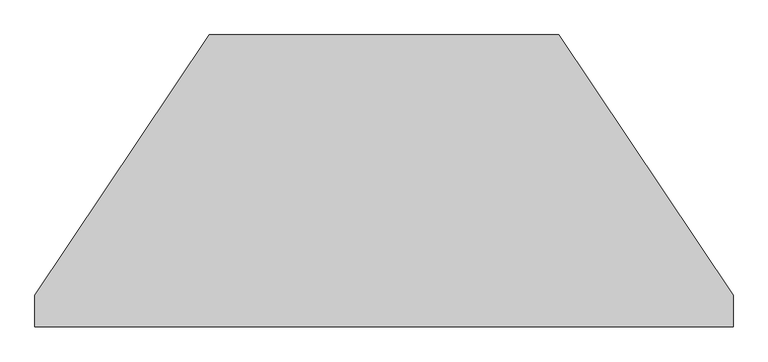
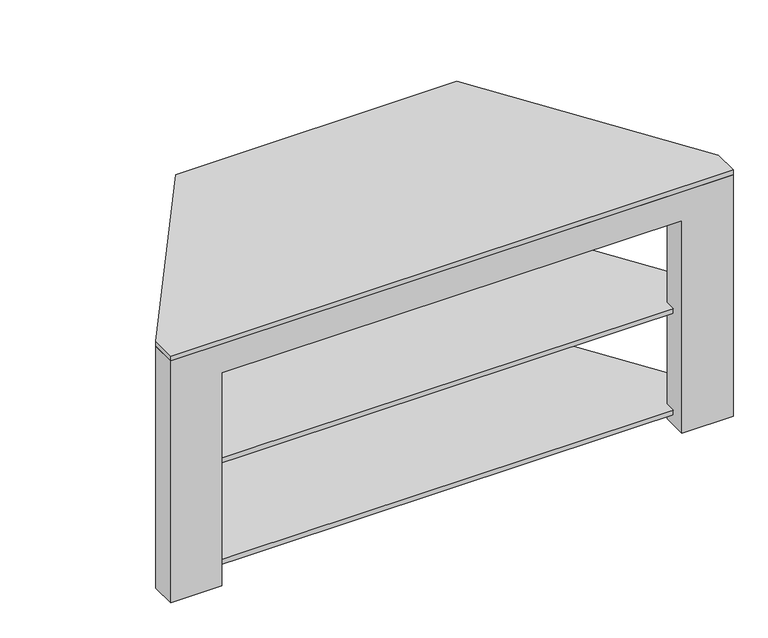
"""IFC4 building model written with IfcOpenShell, lengths in millimetres: furniture geometry."""

from ifc_helpers import new_model, si_unit, point, frame, frame_2d, origin, place, context, project, spatial, polyline, circle_curve, trimmed, segment, composite_curve, outline, extrude, faceted_brep, source, transform, mapped, element, save


def furniture_40ec15d9(model_context):
    return source(origin(), model_context, "Body", "SolidModel", [
        extrude(outline(polyline([(420.3099533, -30.0), (625.1880021, -335.4545455), (625.1880021, -430.0), (-374.8119979, -430.0), (-374.8119979, -335.4545455), (-169.9339492, -30.0), (420.3099533, -30.0)])), frame((0.0, 0.0, 20.0), z_axis=(0.0, 0.0, 1.0), x_axis=(1.0, 0.0, 0.0)), (0.0, 0.0, 1.0), 10.0),
        extrude(outline(polyline([(420.3099533, -30.0), (625.1880021, -335.4545455), (625.1880021, -430.0), (-374.8119979, -430.0), (-374.8119979, -335.4545455), (-169.9339492, -30.0), (420.3099533, -30.0)])), frame((0.0, 0.0, 230.0), z_axis=(0.0, 0.0, 1.0), x_axis=(1.0, 0.0, 0.0)), (0.0, 0.0, 1.0), 10.0),
        extrude(outline(polyline([(400.1880021, 0.0), (675.1880021, -410.0), (675.1880021, -460.0), (-424.8119979, -460.0), (-424.8119979, -410.0), (-149.8119979, 0.0), (400.1880021, 0.0)])), frame((0.0, 0.0, 500.0), z_axis=(0.0, 0.0, 1.0), x_axis=(1.0, 0.0, 0.0)), (0.0, 0.0, 1.0), 10.0),
        extrude(outline(polyline([(-50.0, 500.0), (0.0, 500.0), (0.0, 0.0), (-50.0, 0.0), (-50.0, 20.0), (-30.0, 20.0), (-30.0, 30.0), (-50.0, 30.0), (-50.0, 230.0), (-30.0, 230.0), (-30.0, 240.0), (-50.0, 240.0), (-50.0, 500.0)])), frame((-149.8119979, 0.0, 0.0), z_axis=(1.0, 0.0, 0.0), x_axis=(0.0, 1.0, 0.0)), (0.0, 0.0, 1.0), 100.0),
        extrude(outline(polyline([(-50.0, 500.0), (0.0, 500.0), (0.0, 0.0), (-50.0, 0.0), (-50.0, 20.0), (-30.0, 20.0), (-30.0, 30.0), (-50.0, 30.0), (-50.0, 230.0), (-30.0, 230.0), (-30.0, 240.0), (-50.0, 240.0), (-50.0, 500.0)])), frame((300.1880021, 0.0, 0.0), z_axis=(1.0, 0.0, 0.0), x_axis=(0.0, 1.0, 0.0)), (0.0, 0.0, 1.0), 100.0),
        faceted_brep([(-424.8119979, -460.0, 0.0), (-324.8119979, -460.0, 0.0), (-324.8119979, -460.0, 440.0), (575.1880021, -460.0, 440.0), (575.1880021, -460.0, 0.0), (675.1880021, -460.0, 0.0), (675.1880021, -460.0, 500.0), (-424.8119979, -460.0, 500.0), (-424.8119979, -410.0, 0.0), (-424.8119979, -410.0, 500.0), (675.1880021, -410.0, 500.0), (675.1880021, -410.0, 0.0), (575.1880021, -410.0, 0.0), (575.1880021, -410.0, 20.0), (625.1880021, -410.0, 20.0), (625.1880021, -410.0, 30.0), (575.1880021, -410.0, 30.0), (575.1880021, -410.0, 230.0), (625.1880021, -410.0, 230.0), (625.1880021, -410.0, 240.0), (575.1880021, -410.0, 240.0), (575.1880021, -410.0, 440.0), (-324.8119979, -410.0, 440.0), (-324.8119979, -410.0, 240.0), (-374.8119979, -410.0, 240.0), (-374.8119979, -410.0, 230.0), (-324.8119979, -410.0, 230.0), (-324.8119979, -410.0, 30.0), (-374.8119979, -410.0, 30.0), (-374.8119979, -410.0, 20.0), (-324.8119979, -410.0, 20.0), (-324.8119979, -410.0, 0.0), (-324.8119979, -430.0, 20.0), (-324.8119979, -430.0, 30.0), (-324.8119979, -430.0, 230.0), (-324.8119979, -430.0, 240.0), (575.1880021, -430.0, 240.0), (575.1880021, -430.0, 230.0), (575.1880021, -430.0, 30.0), (575.1880021, -430.0, 20.0), (625.1880021, -430.0, 240.0), (-374.8119979, -430.0, 240.0), (-374.8119979, -430.0, 230.0), (625.1880021, -430.0, 230.0), (625.1880021, -430.0, 30.0), (-374.8119979, -430.0, 30.0), (-374.8119979, -430.0, 20.0), (625.1880021, -430.0, 20.0)], [[[0, 1, 2, 3, 4, 5, 6, 7]], [[8, 9, 10, 11, 12, 13, 14, 15, 16, 17, 18, 19, 20, 21, 22, 23, 24, 25, 26, 27, 28, 29, 30, 31]], [[1, 0, 8, 31]], [[2, 1, 31, 30, 32, 33, 27, 26, 34, 35, 23, 22]], [[3, 2, 22, 21]], [[4, 3, 21, 20, 36, 37, 17, 16, 38, 39, 13, 12]], [[5, 4, 12, 11]], [[6, 5, 11, 10]], [[7, 6, 10, 9]], [[0, 7, 9, 8]], [[19, 40, 36, 20]], [[35, 41, 24, 23]], [[25, 42, 34, 26]], [[37, 43, 18, 17]], [[41, 42, 25, 24]], [[42, 41, 35, 34]], [[40, 43, 37, 36]], [[43, 40, 19, 18]], [[15, 44, 38, 16]], [[33, 45, 28, 27]], [[29, 46, 32, 30]], [[39, 47, 14, 13]], [[45, 46, 29, 28]], [[46, 45, 33, 32]], [[44, 47, 39, 38]], [[47, 44, 15, 14]]]),
        extrude(outline(polyline([(0.0, 300.1880021), (500.0, 300.1880021), (500.0, -49.8119979), (0.0, -49.8119979), (0.0, 300.1880021)]), holes=[composite_curve([segment(polyline([(245.0, 145.1700818), (245.0, 105.2059224)]), True, "CONTINUOUS"), segment(trimmed(circle_curve(frame_2d((257.5, 105.2059224)), 12.5), [point((245.0, 105.2059224))], [point((270.0, 105.2059224))], True, "CARTESIAN"), True, "CONTINUOUS"), segment(polyline([(270.0, 105.2059224), (270.0, 145.1700818)]), True, "CONTINUOUS"), segment(trimmed(circle_curve(frame_2d((257.5, 145.1700818)), 12.5), [point((270.0, 145.1700818))], [point((245.0, 145.1700818))], True, "CARTESIAN"), True, "CONTINUOUS")], self_intersect=False), composite_curve([segment(polyline([(35.0, 145.1880021), (35.0, 105.2059224)]), True, "CONTINUOUS"), segment(trimmed(circle_curve(frame_2d((47.5, 105.2059224)), 12.5), [point((35.0, 105.2059224))], [point((60.0, 105.2059224))], True, "CARTESIAN"), True, "CONTINUOUS"), segment(polyline([(60.0, 105.2059224), (60.0, 145.1880021)]), True, "CONTINUOUS"), segment(trimmed(circle_curve(frame_2d((47.5, 145.1880021)), 12.5), [point((60.0, 145.1880021))], [point((35.0, 145.1880021))], True, "CARTESIAN"), True, "CONTINUOUS")], self_intersect=False)]), frame((0.0, -30.0, 0.0), z_axis=(0.0, 1.0, 0.0), x_axis=(0.0, 0.0, 1.0)), (0.0, 0.0, 1.0), 10.0),
    ])


if __name__ == "__main__":
    model = new_model("IFC4")
    model_context = context("Model", 3, world=origin())
    ifc_project = project(units=[si_unit("LENGTHUNIT", "METRE", prefix="MILLI")], contexts=[model_context])
    site = spatial("IfcSite", under=ifc_project)
    building = spatial("IfcBuilding", under=site)
    placement = place(None, origin())
    furniture_shape = furniture_40ec15d9(model_context)
    element("IfcFurniture", 1, at=placement, inside=building, context=model_context, shape_type="MappedRepresentation", body=[
        mapped(furniture_shape, transform((0.0, 0.0, 0.0), x_axis=(1.0, 0.0, 0.0), y_axis=(0.0, 1.0, 0.0), z_axis=(0.0, 0.0, 1.0))),
    ])
    save(model, "model.ifc")
